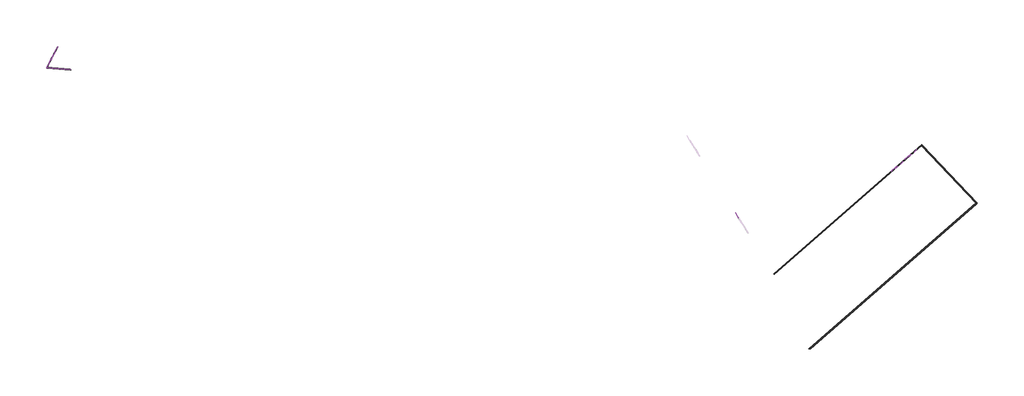
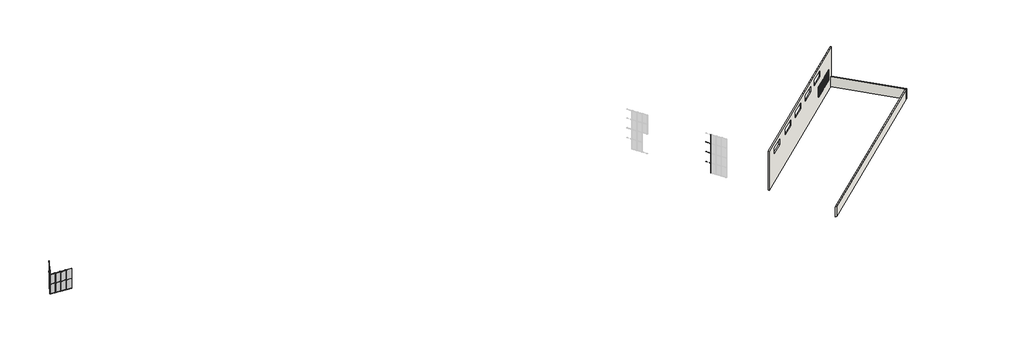
# One storey, part 6 of 36: 44 members, 16 plates, 3 walls, 2 doors.
"""IFC4 building model written with IfcOpenShell, lengths in millimetres."""

import ifcopenshell
import ifcopenshell.guid

model = None  # the IFC model being written
_history = None  # IfcOwnerHistory: only IFC2X3 demands one
_inside = {}  # id of a spatial element -> (the spatial element, [elements in it])
_under = {}  # id of a project, library or spatial element -> (it, [spatial elements below it])
_declared = {}  # id of a project -> (the project, [libraries it declares])
_typed = {}  # id of a type object -> (the type object, [elements of that type])
_made_of = {}  # id of a material, layer set ... -> (it, [elements and type objects made of it])


def new_model(schema):
    """Start an empty IFC model of exactly this schema.

    Asked for "IFC4X3", IfcOpenShell would pick the latest addendum, in which some entities
    have other attributes; the version numbers below select the first issue.
    IFC2X3 requires an IfcOwnerHistory on every rooted entity: one is made here for all.
    """
    global model, _history
    if schema == "IFC4X3":
        model = ifcopenshell.file(schema_version=(4, 3, 0, 0))
    else:
        model = ifcopenshell.file(schema=schema)
    _inside.clear()
    _under.clear()
    _declared.clear()
    _typed.clear()
    _made_of.clear()
    _history = None
    if model.schema == "IFC2X3":
        org = make("IfcOrganization", Name="unknown")
        user = make(
            "IfcPersonAndOrganization",
            ThePerson=make("IfcPerson", FamilyName="unknown"),
            TheOrganization=org,
        )
        app = make(
            "IfcApplication",
            ApplicationDeveloper=org,
            Version="unknown",
            ApplicationFullName="unknown",
            ApplicationIdentifier="unknown",
        )
        _history = make(
            "IfcOwnerHistory",
            OwningUser=user,
            OwningApplication=app,
            ChangeAction="ADDED",
            CreationDate=0,
        )
    return model


def make(cls, **values):
    """One entity of the class cls with the attributes given. An attribute that is None is left unset."""
    return model.create_entity(
        cls, **{name: value for name, value in values.items() if value is not None}
    )


def rooted(cls, **values):
    """An entity with a GlobalId (a new one), such as an element, a storey or a relation."""
    return make(cls, GlobalId=ifcopenshell.guid.new(), OwnerHistory=_history, **values)


def si_unit(unit_type, name, prefix=None):
    """IfcSIUnit, for example si_unit("LENGTHUNIT", "METRE", prefix="MILLI")."""
    return make("IfcSIUnit", UnitType=unit_type, Prefix=prefix, Name=name)


def assignment(units):
    """IfcUnitAssignment: the units of a project."""
    return None if units is None else make("IfcUnitAssignment", Units=units)


def point(xyz):
    """IfcCartesianPoint."""
    return None if xyz is None else make("IfcCartesianPoint", Coordinates=xyz)


def direction(xyz):
    """IfcDirection."""
    return None if xyz is None else make("IfcDirection", DirectionRatios=xyz)


def frame(location, z_axis=None, x_axis=None):
    """IfcAxis2Placement3D, a coordinate frame: its origin and axes. An axis left out is left unset."""
    return make(
        "IfcAxis2Placement3D",
        Location=point(location),
        Axis=direction(z_axis),
        RefDirection=direction(x_axis),
    )


def frame_2d(location, x_axis=None):
    """IfcAxis2Placement2D, a coordinate frame in the plane: its origin and x axis."""
    return make(
        "IfcAxis2Placement2D", Location=point(location), RefDirection=direction(x_axis)
    )


def origin():
    """The frame at (0, 0, 0) with its axes left unset."""
    return frame((0.0, 0.0, 0.0))


def origin_with_axes():
    """The frame at (0, 0, 0) with the z axis (0, 0, 1) and the x axis (1, 0, 0) written out."""
    return frame((0.0, 0.0, 0.0), z_axis=(0.0, 0.0, 1.0), x_axis=(1.0, 0.0, 0.0))


def place(relative_to, where):
    """IfcLocalPlacement: puts the frame where relative to a parent placement (None: the world)."""
    return make(
        "IfcLocalPlacement", PlacementRelTo=relative_to, RelativePlacement=where
    )


def context(
    kind, dimensions, precision=None, world=None, true_north=None, identifier=None
):
    """IfcGeometricRepresentationContext, for example the 3D "Model" context."""
    return make(
        "IfcGeometricRepresentationContext",
        ContextIdentifier=identifier,
        ContextType=kind,
        CoordinateSpaceDimension=dimensions,
        Precision=precision,
        WorldCoordinateSystem=world,
        TrueNorth=true_north,
    )


def project(units=None, contexts=None):
    """IfcProject with its units and contexts."""
    return rooted(
        "IfcProject",
        Name="project",
        RepresentationContexts=contexts,
        UnitsInContext=assignment(units),
    )


def spatial(cls, under=None, at=None, **own):
    """A site, building, storey or space (cls), placed at a placement, below another one or the project."""
    s = rooted(cls, ObjectPlacement=at, **own)
    if under is not None:
        _under.setdefault(under.id(), (under, []))[1].append(s)
    return s


def polyline(points):
    """IfcPolyline through the points."""
    return make("IfcPolyline", Points=[point(p) for p in points])


def circle_curve(where, radius):
    """IfcCircle in the frame where."""
    return make("IfcCircle", Position=where, Radius=radius)


def ellipse_curve(where, semi_axis1, semi_axis2):
    """IfcEllipse in the frame where."""
    return make(
        "IfcEllipse", Position=where, SemiAxis1=semi_axis1, SemiAxis2=semi_axis2
    )


def trimmed(basis, trim1, trim2, sense, master):
    """IfcTrimmedCurve: the piece of a basis curve between two trims."""
    return make(
        "IfcTrimmedCurve",
        BasisCurve=basis,
        Trim1=trim1,
        Trim2=trim2,
        SenseAgreement=sense,
        MasterRepresentation=master,
    )


def segment(curve, same_sense, transition):
    """IfcCompositeCurveSegment."""
    return make(
        "IfcCompositeCurveSegment",
        Transition=transition,
        SameSense=same_sense,
        ParentCurve=curve,
    )


def composite_curve(segments, self_intersect=None):
    """IfcCompositeCurve: segments joined end to end."""
    return make("IfcCompositeCurve", Segments=segments, SelfIntersect=self_intersect)


def outline(outer, holes=None, kind="AREA"):
    """IfcArbitraryClosedProfileDef: a profile drawn as a closed curve; with holes, ...WithVoids."""
    if holes is None:
        return make("IfcArbitraryClosedProfileDef", ProfileType=kind, OuterCurve=outer)
    return make(
        "IfcArbitraryProfileDefWithVoids",
        ProfileType=kind,
        OuterCurve=outer,
        InnerCurves=holes,
    )


def extrude(swept, where, along, depth):
    """IfcExtrudedAreaSolid: the profile swept, set in the frame where, extruded along a direction by depth."""
    return make(
        "IfcExtrudedAreaSolid",
        SweptArea=swept,
        Position=where,
        ExtrudedDirection=direction(along),
        Depth=depth,
    )


def faces_of(points, faces, orient=None, outer=None):
    """IfcFace entities. A face is a list of loops; a loop is a list of indices into points, from 0.

    orient and outer hold one flag for each loop. By default every Orientation is true, the
    first loop of a face is its IfcFaceOuterBound and the others are IfcFaceBound.
    """
    made = []
    for i, loops in enumerate(faces):
        bounds = []
        for j, loop in enumerate(loops):
            is_outer = j == 0 if outer is None else outer[i][j]
            bounds.append(
                make(
                    "IfcFaceOuterBound" if is_outer else "IfcFaceBound",
                    Bound=make("IfcPolyLoop", Polygon=[points[k] for k in loop]),
                    Orientation=True if orient is None else orient[i][j],
                )
            )
        made.append(make("IfcFace", Bounds=bounds))
    return made


def faceted_brep(points, faces, orient=None, outer=None, voids=None):
    """IfcFacetedBrep: a solid bounded by flat faces; with voids (closed shells), ...WithVoids."""
    shared = [point(p) for p in points]
    hull = make("IfcClosedShell", CfsFaces=faces_of(shared, faces, orient, outer))
    if voids is None:
        return make("IfcFacetedBrep", Outer=hull)
    return make(
        "IfcFacetedBrepWithVoids",
        Outer=hull,
        Voids=[
            make(cls, CfsFaces=faces_of(shared, fs, o, b)) for cls, fs, o, b in voids
        ],
    )


def shape(context_of_items, identifier, shape_type, items):
    """IfcShapeRepresentation: the items that make up one representation, for example the "Body"."""
    return make(
        "IfcShapeRepresentation",
        ContextOfItems=context_of_items,
        RepresentationIdentifier=identifier,
        RepresentationType=shape_type,
        Items=items,
    )


def source(mapping_origin, context_of_items, identifier, shape_type, items):
    """IfcRepresentationMap: a shape defined once, which mapped items show again and again."""
    return make(
        "IfcRepresentationMap",
        MappingOrigin=mapping_origin,
        MappedRepresentation=shape(context_of_items, identifier, shape_type, items),
    )


def transform(
    local_origin,
    x_axis=None,
    y_axis=None,
    z_axis=None,
    scale=None,
    scale2=None,
    scale3=None,
    uniform=True,
):
    """IfcCartesianTransformationOperator3D, or its non-uniform kind. x_axis, y_axis, z_axis: its Axis1, 2, 3."""
    if uniform:
        return make(
            "IfcCartesianTransformationOperator3D",
            Axis1=direction(x_axis),
            Axis2=direction(y_axis),
            LocalOrigin=point(local_origin),
            Scale=scale,
            Axis3=direction(z_axis),
        )
    return make(
        "IfcCartesianTransformationOperator3DnonUniform",
        Axis1=direction(x_axis),
        Axis2=direction(y_axis),
        LocalOrigin=point(local_origin),
        Scale=scale,
        Axis3=direction(z_axis),
        Scale2=scale2,
        Scale3=scale3,
    )


def mapped(mapping_source, mapping_target):
    """IfcMappedItem: shows the shape of a source again, moved by a transform."""
    return make(
        "IfcMappedItem", MappingSource=mapping_source, MappingTarget=mapping_target
    )


def made_of(thing, what):
    """Note that an element or type object is made of a material, layer set ...; save() writes the relation."""
    if what is not None:
        _made_of.setdefault(what.id(), (what, []))[1].append(thing)
    return thing


def element(
    cls,
    number,
    at=None,
    inside=None,
    cuts=None,
    type_object=None,
    material=None,
    context=None,
    identifier="Body",
    shape_type=None,
    held_by="IfcProductDefinitionShape",
    body=None,
    shapes=None,
    **own,
):
    """One element of the class cls, such as IfcWall. Its Tag is "e" and its number.

    at: its placement. inside: the storey or other place that contains it. cuts: it is an
    opening in that element (IfcRelVoidsElement). A single representation is given by context,
    identifier, shape_type and body (its items); several are given by shapes. held_by: the class
    of the entity that holds the representations. save() writes the other relations.
    """
    e = rooted(cls, Tag="e%d" % number, ObjectPlacement=at, **own)
    if body is not None:
        shapes = [shape(context, identifier, shape_type, body)]
    if shapes is not None:
        e.Representation = make(held_by, Representations=shapes)
    if inside is not None:
        _inside.setdefault(inside.id(), (inside, []))[1].append(e)
    if cuts is not None:
        rooted(
            "IfcRelVoidsElement", RelatingBuildingElement=cuts, RelatedOpeningElement=e
        )
    if type_object is not None:
        _typed.setdefault(type_object.id(), (type_object, []))[1].append(e)
    return made_of(e, material)


def aggregate(whole, parts):
    """IfcRelAggregates: a whole, such as a stair, and the parts it consists of."""
    return rooted("IfcRelAggregates", RelatingObject=whole, RelatedObjects=parts)


def save(model, path):
    """Write the relations noted so far, then the file.

    IfcRelAggregates (storeys below a building ...), IfcRelContainedInSpatialStructure (elements
    in a storey), IfcRelDefinesByType, IfcRelAssociatesMaterial and IfcRelDeclares: one each for
    every whole, place, type object, material and project.
    """
    for whole, parts in _under.values():
        aggregate(whole, parts)
    for where, things in _inside.values():
        rooted(
            "IfcRelContainedInSpatialStructure",
            RelatedElements=things,
            RelatingStructure=where,
        )
    for kind, things in _typed.values():
        rooted("IfcRelDefinesByType", RelatedObjects=things, RelatingType=kind)
    for what, things in _made_of.values():
        rooted("IfcRelAssociatesMaterial", RelatedObjects=things, RelatingMaterial=what)
    for by, libraries in _declared.values():
        rooted("IfcRelDeclares", RelatingContext=by, RelatedDefinitions=libraries)
    model.write(path)


def plane_surface(at):
    """IfcPlane: the flat surface through the origin of the frame at, square to its z axis."""
    return make("IfcPlane", Position=at)


def cylinder_surface(at, radius):
    """IfcCylindricalSurface: all points at the distance radius from the z axis of the frame at."""
    return make("IfcCylindricalSurface", Position=at, Radius=radius)


def revolved_surface(curve, axis_point, axis_direction):
    """IfcSurfaceOfRevolution: the curve turned about the line through axis_point along axis_direction."""
    return make(
        "IfcSurfaceOfRevolution",
        SweptCurve=make("IfcArbitraryOpenProfileDef", ProfileType="CURVE", Curve=curve),
        AxisPosition=make("IfcAxis1Placement", Location=point(axis_point), Axis=direction(axis_direction)),
    )


def advanced_brep(points, edges, surfaces, faces):
    """IfcAdvancedBrep: a solid bounded by faces that lie on surfaces and meet in shared edges.

    An edge is (start, end): straight between two places in points (the first is 0);
    or (start, end, curve); or (start, end, curve, False) where it runs against its curve.
    A face is (place in surfaces, loops), or (place, loops, False) where it looks against
    its surface's normal. A loop lists edges by number (the first is 1), with a minus sign
    where the edge is run from its end to its start. The first loop is the outer one.
    """
    corners = [point(p) for p in points]
    vertices = [make("IfcVertexPoint", VertexGeometry=c) for c in corners]
    made = []
    for start, end, *more in edges:
        made.append(
            make(
                "IfcEdgeCurve",
                EdgeStart=vertices[start],
                EdgeEnd=vertices[end],
                EdgeGeometry=more[0] if more else make("IfcPolyline", Points=[corners[start], corners[end]]),
                SameSense=more[1] if len(more) > 1 else True,
            )
        )
    hull = []
    for where, loops, *sense in faces:
        bounds = []
        for j, loop in enumerate(loops):
            ring = [make("IfcOrientedEdge", EdgeElement=made[abs(k) - 1], Orientation=k > 0) for k in loop]
            bounds.append(
                make(
                    "IfcFaceOuterBound" if j == 0 else "IfcFaceBound",
                    Bound=make("IfcEdgeLoop", EdgeList=ring),
                    Orientation=True,
                )
            )
        hull.append(make("IfcAdvancedFace", Bounds=bounds, FaceSurface=surfaces[where], SameSense=sense[0] if sense else True))
    return make("IfcAdvancedBrep", Outer=make("IfcClosedShell", CfsFaces=hull))


def bifold_door_11357_bifold_door_11357_4d55604b(model_context):
    return source(origin(), model_context, "Body", "SolidModel", [
        extrude(outline(polyline([(100.0, 2.0), (474.25, 2.0), (474.25, -12.0), (100.0, -12.0), (100.0, 2.0)])), frame((0.0, 0.0, 804.5), z_axis=(0.0, 0.0, 1.0), x_axis=(1.0, 0.0, 0.0)), (0.0, 0.0, 1.0), 150.0),
        extrude(outline(polyline([(474.25, -42.0), (100.0, -42.0), (100.0, -28.0), (474.25, -28.0), (474.25, -42.0)])), frame((0.0, 0.0, 804.5), z_axis=(0.0, 0.0, 1.0), x_axis=(1.0, 0.0, 0.0)), (0.0, 0.0, 1.0), 150.0),
        extrude(outline(polyline([(474.25, -28.0), (100.0, -28.0), (100.0, -12.0), (474.25, -12.0), (474.25, -28.0)])), frame((0.0, 0.0, 204.5), z_axis=(0.0, 0.0, 1.0), x_axis=(1.0, 0.0, 0.0)), (0.0, 0.0, 1.0), 1754.0),
        extrude(outline(polyline([(100.0, -42.0), (100.0, 2.0), (474.25, 2.0), (474.25, -42.0), (100.0, -42.0)])), frame((0.0, 0.0, 54.5), z_axis=(0.0, 0.0, 1.0), x_axis=(1.0, 0.0, 0.0)), (0.0, 0.0, 1.0), 150.0),
        extrude(outline(polyline([(54.5, 0.0), (54.5, 100.0), (1958.5, 100.0), (1958.5, 474.25), (54.5, 474.25), (54.5, 574.25), (2058.5, 574.25), (2058.5, 0.0), (54.5, 0.0)])), frame((0.0, -42.0, 0.0), z_axis=(0.0, 1.0, 0.0), x_axis=(0.0, 0.0, 1.0)), (0.0, 0.0, 1.0), 44.0),
        extrude(outline(polyline([(-474.25, 2.0), (-100.0, 2.0), (-100.0, -12.0), (-474.25, -12.0), (-474.25, 2.0)])), frame((0.0, 0.0, 804.5), z_axis=(0.0, 0.0, 1.0), x_axis=(1.0, 0.0, 0.0)), (0.0, 0.0, 1.0), 150.0),
        extrude(outline(polyline([(-100.0, -42.0), (-474.25, -42.0), (-474.25, -28.0), (-100.0, -28.0), (-100.0, -42.0)])), frame((0.0, 0.0, 804.5), z_axis=(0.0, 0.0, 1.0), x_axis=(1.0, 0.0, 0.0)), (0.0, 0.0, 1.0), 150.0),
        extrude(outline(polyline([(-100.0, -28.0), (-474.25, -28.0), (-474.25, -12.0), (-100.0, -12.0), (-100.0, -28.0)])), frame((0.0, 0.0, 204.5), z_axis=(0.0, 0.0, 1.0), x_axis=(1.0, 0.0, 0.0)), (0.0, 0.0, 1.0), 1754.0),
        extrude(outline(polyline([(-474.25, -42.0), (-474.25, 2.0), (-100.0, 2.0), (-100.0, -42.0), (-474.25, -42.0)])), frame((0.0, 0.0, 54.5), z_axis=(0.0, 0.0, 1.0), x_axis=(1.0, 0.0, 0.0)), (0.0, 0.0, 1.0), 150.0),
        extrude(outline(polyline([(54.5, -574.25), (54.5, -474.25), (1958.5, -474.25), (1958.5, -100.0), (54.5, -100.0), (54.5, 0.0), (2058.5, 0.0), (2058.5, -574.25), (54.5, -574.25)])), frame((0.0, -42.0, 0.0), z_axis=(0.0, 1.0, 0.0), x_axis=(0.0, 0.0, 1.0)), (0.0, 0.0, 1.0), 44.0),
        extrude(outline(polyline([(674.25, 2.0), (1048.5, 2.0), (1048.5, -12.0), (674.25, -12.0), (674.25, 2.0)])), frame((0.0, 0.0, 804.5), z_axis=(0.0, 0.0, 1.0), x_axis=(1.0, 0.0, 0.0)), (0.0, 0.0, 1.0), 150.0),
        extrude(outline(polyline([(1048.5, -42.0), (674.25, -42.0), (674.25, -28.0), (1048.5, -28.0), (1048.5, -42.0)])), frame((0.0, 0.0, 804.5), z_axis=(0.0, 0.0, 1.0), x_axis=(1.0, 0.0, 0.0)), (0.0, 0.0, 1.0), 150.0),
        extrude(outline(polyline([(1048.5, -28.0), (674.25, -28.0), (674.25, -12.0), (1048.5, -12.0), (1048.5, -28.0)])), frame((0.0, 0.0, 204.5), z_axis=(0.0, 0.0, 1.0), x_axis=(1.0, 0.0, 0.0)), (0.0, 0.0, 1.0), 1754.0),
        extrude(outline(polyline([(674.25, -42.0), (674.25, 2.0), (1048.5, 2.0), (1048.5, -42.0), (674.25, -42.0)])), frame((0.0, 0.0, 54.5), z_axis=(0.0, 0.0, 1.0), x_axis=(1.0, 0.0, 0.0)), (0.0, 0.0, 1.0), 150.0),
        extrude(outline(polyline([(54.5, 574.25), (54.5, 674.25), (1958.5, 674.25), (1958.5, 1048.5), (54.5, 1048.5), (54.5, 1148.5), (2058.5, 1148.5), (2058.5, 574.25), (54.5, 574.25)])), frame((0.0, -42.0, 0.0), z_axis=(0.0, 1.0, 0.0), x_axis=(0.0, 0.0, 1.0)), (0.0, 0.0, 1.0), 44.0),
        extrude(outline(polyline([(-1048.5, 2.0), (-674.25, 2.0), (-674.25, -12.0), (-1048.5, -12.0), (-1048.5, 2.0)])), frame((0.0, 0.0, 804.5), z_axis=(0.0, 0.0, 1.0), x_axis=(1.0, 0.0, 0.0)), (0.0, 0.0, 1.0), 150.0),
        extrude(outline(polyline([(-674.25, -42.0), (-1048.5, -42.0), (-1048.5, -28.0), (-674.25, -28.0), (-674.25, -42.0)])), frame((0.0, 0.0, 804.5), z_axis=(0.0, 0.0, 1.0), x_axis=(1.0, 0.0, 0.0)), (0.0, 0.0, 1.0), 150.0),
        extrude(outline(polyline([(-674.25, -28.0), (-1048.5, -28.0), (-1048.5, -12.0), (-674.25, -12.0), (-674.25, -28.0)])), frame((0.0, 0.0, 204.5), z_axis=(0.0, 0.0, 1.0), x_axis=(1.0, 0.0, 0.0)), (0.0, 0.0, 1.0), 1754.0),
        extrude(outline(polyline([(-1048.5, -42.0), (-1048.5, 2.0), (-674.25, 2.0), (-674.25, -42.0), (-1048.5, -42.0)])), frame((0.0, 0.0, 54.5), z_axis=(0.0, 0.0, 1.0), x_axis=(1.0, 0.0, 0.0)), (0.0, 0.0, 1.0), 150.0),
        extrude(outline(polyline([(54.5, -1148.5), (54.5, -1048.5), (1958.5, -1048.5), (1958.5, -674.25), (54.5, -674.25), (54.5, -574.25), (2058.5, -574.25), (2058.5, -1148.5), (54.5, -1148.5)])), frame((0.0, -42.0, 0.0), z_axis=(0.0, 1.0, 0.0), x_axis=(0.0, 0.0, 1.0)), (0.0, 0.0, 1.0), 44.0),
        advanced_brep(
        [(1108.5, 12.0, 913.5197851), (1088.5, 12.0, 913.5197851), (1108.5, 35.0, 913.5197851), (1088.5, 35.0, 913.5197851), (1083.5, 40.0, 913.5197851), (1083.5, 60.0, 913.5197851), (1003.3501694, 60.0, 913.5197851), (1003.3501694, 40.0, 913.5197851)],
        [
            (0, 1, circle_curve(frame((1098.5, 12.0, 913.5197851), z_axis=(0.0, -1.0, 0.0), x_axis=(-1.0, 0.0, 0.0)), 10.0)),
            (1, 0, circle_curve(frame((1098.5, 12.0, 913.5197851), z_axis=(0.0, -1.0, 0.0), x_axis=(-1.0, 0.0, 0.0)), 10.0)),
            (0, 2),
            (2, 3, circle_curve(frame((1098.5, 35.0, 913.5197851), z_axis=(0.0, -1.0, 0.0), x_axis=(-1.0, 0.0, 0.0)), 10.0)),
            (3, 1),
            (3, 2, circle_curve(frame((1098.5, 35.0, 913.5197851), z_axis=(0.0, -1.0, 0.0), x_axis=(-1.0, 0.0, 0.0)), 10.0)),
            (4, 3, circle_curve(frame((1083.5, 35.0, 913.5197851), z_axis=(0.0, 0.0, -1.0), x_axis=(1.0, 0.0, 0.0)), 5.0)),
            (2, 5, circle_curve(frame((1083.5, 35.0, 913.5197851), z_axis=(0.0, 0.0, 1.0), x_axis=(1.0, 0.0, 0.0)), 25.0)),
            (5, 4, circle_curve(frame((1083.5, 50.0, 913.5197851), z_axis=(1.0, 0.0, 0.0), x_axis=(0.0, -1.0, 0.0)), 10.0)),
            (4, 5, circle_curve(frame((1083.5, 50.0, 913.5197851), z_axis=(1.0, 0.0, 0.0), x_axis=(0.0, -1.0, 0.0)), 10.0)),
            (6, 7, circle_curve(frame((1003.3501694, 50.0, 913.5197851), z_axis=(-1.0, 0.0, 0.0), x_axis=(0.0, -1.0, 0.0)), 10.0)),
            (7, 6, circle_curve(frame((1003.3501694, 50.0, 913.5197851), z_axis=(-1.0, 0.0, 0.0), x_axis=(0.0, -1.0, 0.0)), 10.0)),
            (5, 6),
            (7, 4),
        ],
        [
            plane_surface(frame((1098.5, 12.0, 0.0), z_axis=(0.0, -1.0, 0.0), x_axis=(0.0, 0.0, 1.0))),
            cylinder_surface(frame((1098.5, 12.0, 913.5197851), z_axis=(0.0, -1.0, 0.0), x_axis=(-1.0, 0.0, 0.0)), 10.0),
            revolved_surface(trimmed(ellipse_curve(frame((1098.5, 35.0, 913.5197851), z_axis=(0.0, -1.0, 0.0), x_axis=(-1.0, 0.0, 0.0)), 10.0, 10.0), [point((1108.5, 35.0, 913.5197851))], [point((1088.5, 35.0, 913.5197851))], True, "CARTESIAN"), (1083.5, 35.0, 0.0), (0.0, 0.0, 1.0)),
            revolved_surface(trimmed(ellipse_curve(frame((1098.5, 35.0, 913.5197851), z_axis=(0.0, -1.0, 0.0), x_axis=(-1.0, 0.0, 0.0)), 10.0, 10.0), [point((1088.5, 35.0, 913.5197851))], [point((1108.5, 35.0, 913.5197851))], True, "CARTESIAN"), (1083.5, 35.0, 0.0), (0.0, 0.0, 1.0)),
            plane_surface(frame((1003.3501694, 50.0, 0.0), z_axis=(-1.0, 0.0, 0.0), x_axis=(0.0, 0.0, 1.0))),
            cylinder_surface(frame((1083.5, 50.0, 913.5197851), z_axis=(1.0, 0.0, 0.0), x_axis=(0.0, -1.0, 0.0)), 10.0),
        ],
        [
            (0, [[1, 2]]),
            (1, [[-1, 3, 4, 5]]),
            (1, [[-2, -5, 6, -3]]),
            (2, [[7, -4, 8, 9]]),
            (3, [[-8, -6, -7, 10]]),
            (4, [[11, 12]]),
            (5, [[-9, 13, -12, 14]]),
            (5, [[-10, -14, -11, -13]]),
        ],
    ),
        extrude(outline(composite_curve([segment(polyline([(809.5, 1119.5), (947.5395702, 1119.5)]), True, "CONTINUOUS"), segment(trimmed(circle_curve(frame_2d((932.9481035, 1098.5)), 25.5716817), [point((947.5395702, 1119.5))], [point((947.5395702, 1077.5))], False, "CARTESIAN"), True, "CONTINUOUS"), segment(polyline([(947.5395702, 1077.5), (809.5, 1077.5)]), True, "CONTINUOUS"), segment(trimmed(circle_curve(frame_2d((824.0914668, 1098.5)), 25.5716817), [point((809.5, 1077.5))], [point((809.5, 1119.5))], False, "CARTESIAN"), True, "CONTINUOUS")], self_intersect=False), holes=[composite_curve([segment(polyline([(834.5197851, 1095.5), (844.5197851, 1095.5)]), True, "CONTINUOUS"), segment(trimmed(circle_curve(frame_2d((848.5197851, 1098.5)), 5.0), [point((844.5197851, 1095.5))], [point((844.5197851, 1101.5))], True, "CARTESIAN"), True, "CONTINUOUS"), segment(polyline([(844.5197851, 1101.5), (834.5197851, 1101.5)]), True, "CONTINUOUS"), segment(trimmed(circle_curve(frame_2d((834.7134009, 1098.5)), 3.0062414), [point((834.5197851, 1101.5))], [point((834.5197851, 1095.5))], True, "CARTESIAN"), True, "CONTINUOUS")], self_intersect=False)]), frame((0.0, 2.0, 0.0), z_axis=(0.0, 1.0, 0.0), x_axis=(0.0, 0.0, 1.0)), (0.0, 0.0, 1.0), 10.0),
        faceted_brep([(1250.0, 87.0, 0.0), (1250.0, 87.0, 41.609375), (1250.0, 62.0, 45.4007353), (1250.0, 62.0, 0.0), (-1250.0, 87.0, 41.609375), (-1250.0, 87.0, 0.0), (-1250.0, 62.0, 0.0), (-1250.0, 62.0, 45.4007353), (-1200.0, -87.0, 54.5), (-1200.0, -87.0, 0.0), (1200.0, -87.0, 0.0), (1200.0, -87.0, 54.5), (1200.0, 62.0, 0.0), (-1200.0, 62.0, 0.0), (-1200.0, 62.0, 45.4007353), (-1200.0, 2.0, 54.5), (1200.0, 2.0, 54.5), (1200.0, 62.0, 45.4007353)], [[[0, 1, 2, 3]], [[4, 5, 6, 7]], [[8, 9, 10, 11]], [[5, 0, 3, 12, 10, 9, 13, 6]], [[1, 0, 5, 4]], [[1, 4, 7, 14, 15, 16, 17, 2]], [[15, 8, 11, 16]], [[13, 14, 7, 6]], [[14, 13, 9, 8, 15]], [[12, 17, 16, 11, 10]], [[17, 12, 3, 2]]]),
        faceted_brep([(1200.0, -87.0, 54.5), (1129.5, -87.0, 54.5), (1129.5, -45.0, 54.5), (1151.5, -45.0, 54.5), (1151.5, 2.0, 54.5), (1200.0, 2.0, 54.5), (1200.0, -87.0, 2110.0), (-1200.0, -87.0, 2110.0), (-1200.0, -87.0, 54.5), (-1129.5, -87.0, 54.5), (-1129.5, -87.0, 2039.5), (1129.5, -87.0, 2039.5), (1129.5, -45.0, 2039.5), (-1129.5, -45.0, 2039.5), (-1129.5, -45.0, 54.5), (-1151.5, -45.0, 54.5), (-1151.5, -45.0, 2061.5), (1151.5, -45.0, 2061.5), (1151.5, 2.0, 2061.5), (-1151.5, 2.0, 2061.5), (-1151.5, 2.0, 54.5), (-1200.0, 2.0, 54.5), (-1200.0, 2.0, 2110.0), (1200.0, 2.0, 2110.0)], [[[0, 1, 2, 3, 4, 5]], [[1, 0, 6, 7, 8, 9, 10, 11]], [[2, 1, 11, 12]], [[3, 2, 12, 13, 14, 15, 16, 17]], [[4, 3, 17, 18]], [[5, 4, 18, 19, 20, 21, 22, 23]], [[0, 5, 23, 6]], [[7, 22, 21, 8]], [[8, 21, 20, 15, 14, 9]], [[13, 10, 9, 14]], [[19, 16, 15, 20]], [[12, 11, 10, 13]], [[18, 17, 16, 19]], [[6, 23, 22, 7]]]),
    ])


def rectangular_mullion_30mm_square_1a264fd7(model_context):
    return source(origin(), model_context, "Body", "SweptSolid", [
        extrude(outline(polyline([(15.0, 15.0), (15.0, -15.0), (-15.0, -15.0), (-15.0, 15.0), (15.0, 15.0)])), frame((0.0, 0.0, -2000.0), z_axis=(0.0, 0.0, 1.0), x_axis=(1.0, 0.0, 0.0)), (0.0, 0.0, 1.0), 2000.0),
    ])


def rectangular_mullion_30mm_square_25f3bd10(model_context):
    return source(origin(), model_context, "Body", "SweptSolid", [
        extrude(outline(polyline([(0.0, 15.0), (0.0, -15.0), (-30.0, -15.0), (-30.0, 15.0), (0.0, 15.0)])), frame((0.0, 0.0, -2000.0), z_axis=(0.0, 0.0, 1.0), x_axis=(1.0, 0.0, 0.0)), (0.0, 0.0, 1.0), 2000.0),
    ])


def rectangular_mullion_30mm_square_91e58ac2(model_context):
    return source(origin(), model_context, "Body", "SweptSolid", [
        extrude(outline(polyline([(15.0, 15.0), (15.0, -15.0), (-15.0, -15.0), (-15.0, 15.0), (15.0, 15.0)])), frame((0.0, 0.0, -1830.508389), z_axis=(0.0, 0.0, 1.0), x_axis=(1.0, 0.0, 0.0)), (0.0, 0.0, 1.0), 1830.508389),
    ])


def rectangular_mullion_30mm_square_30df469e(model_context):
    return source(origin(), model_context, "Body", "SweptSolid", [
        extrude(outline(polyline([(0.0, 15.0), (0.0, -15.0), (-30.0, -15.0), (-30.0, 15.0), (0.0, 15.0)])), frame((0.0, 0.0, -953.235469), z_axis=(0.0, 0.0, 1.0), x_axis=(1.0, 0.0, 0.0)), (0.0, 0.0, 1.0), 953.235469),
    ])


def rectangular_mullion_30mm_square_7abb9771(model_context):
    return source(origin(), model_context, "Body", "SweptSolid", [
        extrude(outline(polyline([(15.0, 15.0), (15.0, -15.0), (-15.0, -15.0), (-15.0, 15.0), (15.0, 15.0)])), frame((0.0, 0.0, -953.235469), z_axis=(0.0, 0.0, 1.0), x_axis=(1.0, 0.0, 0.0)), (0.0, 0.0, 1.0), 953.235469),
    ])


def rectangular_mullion_30mm_square_aed851f2(model_context):
    return source(origin(), model_context, "Body", "SweptSolid", [
        extrude(outline(polyline([(15.0, 15.0), (15.0, -15.0), (-15.0, -15.0), (-15.0, 15.0), (15.0, 15.0)])), frame((0.0, 0.0, -969.0188131), z_axis=(0.0, 0.0, 1.0), x_axis=(1.0, 0.0, 0.0)), (0.0, 0.0, 1.0), 969.0188131),
    ])


def rectangular_mullion_30mm_square_2630f89c(model_context):
    return source(origin(), model_context, "Body", "SweptSolid", [
        extrude(outline(polyline([(0.0, 15.0), (0.0, -15.0), (-30.0, -15.0), (-30.0, 15.0), (0.0, 15.0)])), frame((0.0, 0.0, -946.4407667), z_axis=(0.0, 0.0, 1.0), x_axis=(1.0, 0.0, 0.0)), (0.0, 0.0, 1.0), 946.4407667),
    ])


def rectangular_mullion_30mm_square_1933750e(model_context):
    return source(origin(), model_context, "Body", "SweptSolid", [
        extrude(outline(polyline([(0.0, 15.0), (0.0, -15.0), (-30.0, -15.0), (-30.0, 15.0), (0.0, 15.0)])), frame((0.0, 0.0, -961.4407667), z_axis=(0.0, 0.0, 1.0), x_axis=(1.0, 0.0, 0.0)), (0.0, 0.0, 1.0), 961.4407667),
    ])


def rectangular_mullion_30mm_square_71c4692f(model_context):
    return source(origin(), model_context, "Body", "SweptSolid", [
        extrude(outline(polyline([(15.0, 15.0), (15.0, -15.0), (-15.0, -15.0), (-15.0, 15.0), (15.0, 15.0)])), frame((0.0, 0.0, -946.4407667), z_axis=(0.0, 0.0, 1.0), x_axis=(1.0, 0.0, 0.0)), (0.0, 0.0, 1.0), 946.4407667),
    ])


def rectangular_mullion_30mm_square_e7e67e74(model_context):
    return source(origin(), model_context, "Body", "SweptSolid", [
        extrude(outline(polyline([(15.0, 15.0), (15.0, -15.0), (-15.0, -15.0), (-15.0, 15.0), (15.0, 15.0)])), frame((0.0, 0.0, -961.4407667), z_axis=(0.0, 0.0, 1.0), x_axis=(1.0, 0.0, 0.0)), (0.0, 0.0, 1.0), 961.4407667),
    ])


def rectangular_mullion_30mm_square_b86bc8b0(model_context):
    return source(origin(), model_context, "Body", "SweptSolid", [
        extrude(outline(polyline([(0.0, 15.0), (0.0, -15.0), (-30.0, -15.0), (-30.0, 15.0), (0.0, 15.0)])), frame((0.0, 0.0, -968.3455398), z_axis=(0.0, 0.0, 1.0), x_axis=(1.0, 0.0, 0.0)), (0.0, 0.0, 1.0), 968.3455398),
    ])


def rectangular_mullion_30mm_square_ef8dd7fb(model_context):
    return source(origin(), model_context, "Body", "SweptSolid", [
        extrude(outline(polyline([(15.0, 15.0), (15.0, -15.0), (-15.0, -15.0), (-15.0, 15.0), (15.0, 15.0)])), frame((0.0, 0.0, -968.3455398), z_axis=(0.0, 0.0, 1.0), x_axis=(1.0, 0.0, 0.0)), (0.0, 0.0, 1.0), 968.3455398),
    ])


def system_panel_glazed_b46ffa29(model_context):
    return source(origin(), model_context, "Body", "SweptSolid", [
        extrude(outline(polyline([(495.7203834, 24.5), (-495.7203834, 24.5), (-495.7203834, 49.5), (495.7203834, 49.5), (495.7203834, 24.5)])), origin_with_axes(), (0.0, 0.0, 1.0), 2000.0),
    ])


def system_panel_glazed_724dc06d(model_context):
    return source(origin(), model_context, "Body", "SweptSolid", [
        extrude(outline(polyline([(499.1727699, 24.5), (-499.1727699, 24.5), (-499.1727699, 49.5), (499.1727699, 49.5), (499.1727699, 24.5)])), origin_with_axes(), (0.0, 0.0, 1.0), 2000.0),
    ])


model = new_model("IFC4")

# Units and contexts
model_context = context("Model", 3, world=origin())
ifc_project = project(units=[si_unit("LENGTHUNIT", "METRE", prefix="MILLI")], contexts=[model_context])

# Site, building, storey
site = spatial("IfcSite", under=ifc_project)
building = spatial("IfcBuilding", under=site)
storey = spatial("IfcBuildingStorey", under=building, Elevation=8680.0)

# Doors
placement = place(None, origin())
bifold_door_11357_bifold_door_11357_shape = bifold_door_11357_bifold_door_11357_4d55604b(model_context)
element("IfcDoor", 1, ObjectType="Bifold_door_11357 : Bifold_door_11357", at=placement, inside=storey, context=model_context, shape_type="MappedRepresentation", body=[
    mapped(bifold_door_11357_bifold_door_11357_shape, transform((-179464.8291716, -3430.0418953, 10680.0), x_axis=(0.7520008851157679, 0.6591620959863376, 0.0), y_axis=(-0.6591620959863376, 0.7520008851157679, 0.0), z_axis=(0.0, 0.0, 1.0))),
])
element("IfcDoor", 2, ObjectType="Bifold_door_11357 : Bifold_door_11357", at=placement, inside=storey, context=model_context, shape_type="MappedRepresentation", body=[
    mapped(bifold_door_11357_bifold_door_11357_shape, transform((-181720.8318269, -5407.5281833, 10680.0), x_axis=(0.7520008851157679, 0.6591620959863376, 0.0), y_axis=(-0.6591620959863376, 0.7520008851157679, 0.0), z_axis=(0.0, 0.0, 1.0))),
])

# Members
rectangular_mullion_30mm_square_shape = rectangular_mullion_30mm_square_1a264fd7(model_context)
element("IfcMember", 3, ObjectType="Rectangular Mullion : 30mm Square", at=placement, inside=storey, context=model_context, shape_type="MappedRepresentation", body=[
    mapped(rectangular_mullion_30mm_square_shape, transform((-207841.4419151, -13872.4451507, 8680.0), x_axis=(0.5325147689769961, -0.846420711479449, 0.0), y_axis=(-0.846420711479449, -0.5325147689769961, 0.0), z_axis=(0.0, 0.0, -1.0))),
])
element("IfcMember", 4, ObjectType="Rectangular Mullion : 30mm Square", at=placement, inside=storey, context=model_context, shape_type="MappedRepresentation", body=[
    mapped(rectangular_mullion_30mm_square_shape, transform((-320277.9439676, 13438.204232, 8680.0), x_axis=(-0.4546295979631432, -0.8906805985626222, 0.0), y_axis=(-0.8906805985626222, 0.4546295979631432, 0.0), z_axis=(0.0, 0.0, -1.0))),
])
element("IfcMember", 5, ObjectType="Rectangular Mullion : 30mm Square", at=placement, inside=storey, context=model_context, shape_type="MappedRepresentation", body=[
    mapped(rectangular_mullion_30mm_square_shape, transform((-320728.6822847, 12555.1471765, 8680.0), x_axis=(-0.4546295979631432, -0.8906805985626222, 0.0), y_axis=(-0.8906805985626222, 0.4546295979631432, 0.0), z_axis=(0.0, 0.0, -1.0))),
])
element("IfcMember", 6, ObjectType="Rectangular Mullion : 30mm Square", at=placement, inside=storey, context=model_context, shape_type="MappedRepresentation", body=[
    mapped(rectangular_mullion_30mm_square_shape, transform((-321179.4206019, 11672.0901209, 8680.0), x_axis=(-0.4546295979631432, -0.8906805985626222, 0.0), y_axis=(-0.8906805985626222, 0.4546295979631432, 0.0), z_axis=(0.0, 0.0, -1.0))),
])
element("IfcMember", 7, ObjectType="Rectangular Mullion : 30mm Square", at=placement, inside=storey, context=model_context, shape_type="MappedRepresentation", body=[
    mapped(rectangular_mullion_30mm_square_shape, transform((-320635.1478902, 10707.5047319, 8680.0), x_axis=(0.996659963165448, -0.08166344239038593, 0.0), y_axis=(-0.08166344239038593, -0.996659963165448, 0.0), z_axis=(0.0, 0.0, -1.0))),
])
element("IfcMember", 8, ObjectType="Rectangular Mullion : 30mm Square", at=placement, inside=storey, context=model_context, shape_type="MappedRepresentation", body=[
    mapped(rectangular_mullion_30mm_square_shape, transform((-319640.1368613, 10625.9763985, 8680.0), x_axis=(0.996659963165448, -0.08166344239038593, 0.0), y_axis=(-0.08166344239038593, -0.996659963165448, 0.0), z_axis=(0.0, 0.0, -1.0))),
])
element("IfcMember", 9, ObjectType="Rectangular Mullion : 30mm Square", at=placement, inside=storey, context=model_context, shape_type="MappedRepresentation", body=[
    mapped(rectangular_mullion_30mm_square_shape, transform((-318645.1258324, 10544.448065, 8680.0), x_axis=(0.996659963165448, -0.08166344239038593, 0.0), y_axis=(-0.08166344239038593, -0.996659963165448, 0.0), z_axis=(0.0, 0.0, -1.0))),
])
element("IfcMember", 10, ObjectType="Rectangular Mullion : 30mm Square", at=placement, inside=storey, context=model_context, shape_type="MappedRepresentation", body=[
    mapped(rectangular_mullion_30mm_square_shape, transform((-320277.9439676, 13438.204232, 10680.0), x_axis=(-0.4546295979631432, -0.8906805985626222, 0.0), y_axis=(-0.8906805985626222, 0.4546295979631432, 0.0), z_axis=(0.0, 0.0, -1.0))),
])
element("IfcMember", 11, ObjectType="Rectangular Mullion : 30mm Square", at=placement, inside=storey, context=model_context, shape_type="MappedRepresentation", body=[
    mapped(rectangular_mullion_30mm_square_shape, transform((-320728.6822847, 12555.1471765, 10680.0), x_axis=(-0.4546295979631432, -0.8906805985626222, 0.0), y_axis=(-0.8906805985626222, 0.4546295979631432, 0.0), z_axis=(0.0, 0.0, -1.0))),
])
element("IfcMember", 12, ObjectType="Rectangular Mullion : 30mm Square", at=placement, inside=storey, context=model_context, shape_type="MappedRepresentation", body=[
    mapped(rectangular_mullion_30mm_square_shape, transform((-321179.4206019, 11672.0901209, 10680.0), x_axis=(-0.4546295979631432, -0.8906805985626222, 0.0), y_axis=(-0.8906805985626222, 0.4546295979631432, 0.0), z_axis=(0.0, 0.0, -1.0))),
])
element("IfcMember", 13, ObjectType="Rectangular Mullion : 30mm Square", at=placement, inside=storey, context=model_context, shape_type="MappedRepresentation", body=[
    mapped(rectangular_mullion_30mm_square_shape, transform((-320635.1478902, 10707.5047319, 10680.0), x_axis=(0.996659963165448, -0.08166344239038593, 0.0), y_axis=(-0.08166344239038593, -0.996659963165448, 0.0), z_axis=(0.0, 0.0, -1.0))),
])
element("IfcMember", 14, ObjectType="Rectangular Mullion : 30mm Square", at=placement, inside=storey, context=model_context, shape_type="MappedRepresentation", body=[
    mapped(rectangular_mullion_30mm_square_shape, transform((-319640.1368613, 10625.9763985, 10680.0), x_axis=(0.996659963165448, -0.08166344239038593, 0.0), y_axis=(-0.08166344239038593, -0.996659963165448, 0.0), z_axis=(0.0, 0.0, -1.0))),
])
element("IfcMember", 15, ObjectType="Rectangular Mullion : 30mm Square", at=placement, inside=storey, context=model_context, shape_type="MappedRepresentation", body=[
    mapped(rectangular_mullion_30mm_square_shape, transform((-318645.1258324, 10544.448065, 10680.0), x_axis=(0.996659963165448, -0.08166344239038593, 0.0), y_axis=(-0.08166344239038593, -0.996659963165448, 0.0), z_axis=(0.0, 0.0, -1.0))),
])
rectangular_mullion_30mm_square_2_shape = rectangular_mullion_30mm_square_25f3bd10(model_context)
element("IfcMember", 16, ObjectType="Rectangular Mullion : 30mm Square", at=placement, inside=storey, context=model_context, shape_type="MappedRepresentation", body=[
    mapped(rectangular_mullion_30mm_square_2_shape, transform((-321630.1589191, 10789.0330654, 8680.0), x_axis=(-0.4546295979631432, -0.8906805985626222, 0.0), y_axis=(-0.8906805985626222, 0.4546295979631432, 0.0), z_axis=(0.0, 0.0, -1.0))),
])
element("IfcMember", 17, ObjectType="Rectangular Mullion : 30mm Square", at=placement, inside=storey, context=model_context, shape_type="MappedRepresentation", body=[
    mapped(rectangular_mullion_30mm_square_2_shape, transform((-321630.1589191, 10789.0330654, 12680.0), x_axis=(-0.996659963165448, 0.08166344239038593, 0.0), y_axis=(-0.08166344239038593, -0.996659963165448, 0.0), z_axis=(0.0, 0.0, 1.0))),
])
element("IfcMember", 18, ObjectType="Rectangular Mullion : 30mm Square", at=placement, inside=storey, context=model_context, shape_type="MappedRepresentation", body=[
    mapped(rectangular_mullion_30mm_square_2_shape, transform((-321630.1589191, 10789.0330654, 10680.0), x_axis=(-0.4546295979631432, -0.8906805985626222, 0.0), y_axis=(-0.8906805985626222, 0.4546295979631432, 0.0), z_axis=(0.0, 0.0, -1.0))),
])
element("IfcMember", 19, ObjectType="Rectangular Mullion : 30mm Square", at=placement, inside=storey, context=model_context, shape_type="MappedRepresentation", body=[
    mapped(rectangular_mullion_30mm_square_2_shape, transform((-321630.1589191, 10789.0330654, 10680.0), x_axis=(-0.996659963165448, 0.08166344239038593, 0.0), y_axis=(-0.08166344239038593, -0.996659963165448, 0.0), z_axis=(0.0, 0.0, 1.0))),
])
rectangular_mullion_30mm_square_3_shape = rectangular_mullion_30mm_square_91e58ac2(model_context)
element("IfcMember", 20, ObjectType="Rectangular Mullion : 30mm Square", at=placement, inside=storey, context=model_context, shape_type="MappedRepresentation", body=[
    mapped(rectangular_mullion_30mm_square_3_shape, transform((-207841.4419151, -13872.4451507, 14680.0), x_axis=(0.5325147689769961, -0.846420711479449, 0.0), y_axis=(-0.846420711479449, -0.5325147689769961, 0.0), z_axis=(0.0, 0.0, -1.0))),
])
rectangular_mullion_30mm_square_4_shape = rectangular_mullion_30mm_square_30df469e(model_context)
element("IfcMember", 21, ObjectType="Rectangular Mullion : 30mm Square", at=placement, inside=storey, context=model_context, shape_type="MappedRepresentation", body=[
    mapped(rectangular_mullion_30mm_square_4_shape, transform((-320650.0977897, 10708.7296836, 12680.0), x_axis=(0.0, 0.0, 1.0), y_axis=(-0.0816634423903873, -0.996659963165448, 0.0), z_axis=(0.996659963165448, -0.0816634423903873, 0.0))),
])
element("IfcMember", 22, ObjectType="Rectangular Mullion : 30mm Square", at=placement, inside=storey, context=model_context, shape_type="MappedRepresentation", body=[
    mapped(rectangular_mullion_30mm_square_4_shape, transform((-321600.2591202, 10786.5831621, 8680.0), x_axis=(0.0, 0.0, -1.0), y_axis=(-0.0816634423903873, -0.996659963165448, 0.0), z_axis=(-0.996659963165448, 0.0816634423903873, 0.0))),
])
rectangular_mullion_30mm_square_5_shape = rectangular_mullion_30mm_square_7abb9771(model_context)
element("IfcMember", 23, ObjectType="Rectangular Mullion : 30mm Square", at=placement, inside=storey, context=model_context, shape_type="MappedRepresentation", body=[
    mapped(rectangular_mullion_30mm_square_5_shape, transform((-320650.0977897, 10708.7296836, 10680.0), x_axis=(0.0, 0.0, 1.0), y_axis=(-0.0816634423903873, -0.996659963165448, 0.0), z_axis=(0.996659963165448, -0.0816634423903873, 0.0))),
])
element("IfcMember", 24, ObjectType="Rectangular Mullion : 30mm Square", at=placement, inside=storey, context=model_context, shape_type="MappedRepresentation", body=[
    mapped(rectangular_mullion_30mm_square_shape, transform((-207841.4419151, -13872.4451507, 10680.0), x_axis=(0.5325147689769961, -0.846420711479449, 0.0), y_axis=(-0.846420711479449, -0.5325147689769961, 0.0), z_axis=(0.0, 0.0, -1.0))),
])
element("IfcMember", 25, ObjectType="Rectangular Mullion : 30mm Square", at=placement, inside=storey, context=model_context, shape_type="MappedRepresentation", body=[
    mapped(rectangular_mullion_30mm_square_shape, transform((-207841.4419151, -13872.4451507, 12680.0), x_axis=(0.5325147689769961, -0.846420711479449, 0.0), y_axis=(-0.846420711479449, -0.5325147689769961, 0.0), z_axis=(0.0, 0.0, -1.0))),
])
rectangular_mullion_30mm_square_6_shape = rectangular_mullion_30mm_square_aed851f2(model_context)
element("IfcMember", 26, ObjectType="Rectangular Mullion : 30mm Square", at=placement, inside=storey, context=model_context, shape_type="MappedRepresentation", body=[
    mapped(rectangular_mullion_30mm_square_6_shape, transform((-207849.4296367, -13859.74884, 10680.0), x_axis=(0.0, 0.0, 1.0), y_axis=(-0.8464207114794468, -0.5325147689769997, 0.0), z_axis=(0.5325147689769996, -0.8464207114794466, 0.0))),
])
element("IfcMember", 27, ObjectType="Rectangular Mullion : 30mm Square", at=placement, inside=storey, context=model_context, shape_type="MappedRepresentation", body=[
    mapped(rectangular_mullion_30mm_square_6_shape, transform((-207849.4296367, -13859.74884, 12680.0), x_axis=(0.0, 0.0, 1.0), y_axis=(-0.8464207114794473, -0.5325147689769987, 0.0), z_axis=(0.5325147689769987, -0.8464207114794473, 0.0))),
])
element("IfcMember", 28, ObjectType="Rectangular Mullion : 30mm Square", at=placement, inside=storey, context=model_context, shape_type="MappedRepresentation", body=[
    mapped(rectangular_mullion_30mm_square_6_shape, transform((-207849.4296367, -13859.74884, 14680.0), x_axis=(0.0, 0.0, 1.0), y_axis=(-0.8464207114794473, -0.5325147689769987, 0.0), z_axis=(0.5325147689769987, -0.8464207114794473, 0.0))),
])
rectangular_mullion_30mm_square_7_shape = rectangular_mullion_30mm_square_2630f89c(model_context)
element("IfcMember", 29, ObjectType="Rectangular Mullion : 30mm Square", at=placement, inside=storey, context=model_context, shape_type="MappedRepresentation", body=[
    mapped(rectangular_mullion_30mm_square_7_shape, transform((-321616.5200312, 10815.7534834, 12680.0), x_axis=(0.0, 0.0, 1.0), y_axis=(-0.8906805985626249, 0.4546295979631377, 0.0), z_axis=(-0.4546295979631377, -0.8906805985626249, 0.0))),
])
element("IfcMember", 30, ObjectType="Rectangular Mullion : 30mm Square", at=placement, inside=storey, context=model_context, shape_type="MappedRepresentation", body=[
    mapped(rectangular_mullion_30mm_square_7_shape, transform((-321186.2400459, 11658.729912, 8680.0), x_axis=(0.0, 0.0, -1.0), y_axis=(-0.8906805985626249, 0.4546295979631377, 0.0), z_axis=(0.4546295979631377, 0.8906805985626249, 0.0))),
])
rectangular_mullion_30mm_square_8_shape = rectangular_mullion_30mm_square_1933750e(model_context)
element("IfcMember", 31, ObjectType="Rectangular Mullion : 30mm Square", at=placement, inside=storey, context=model_context, shape_type="MappedRepresentation", body=[
    mapped(rectangular_mullion_30mm_square_8_shape, transform((-320271.1245236, 13451.564441, 12680.0), x_axis=(0.0, 0.0, 1.0), y_axis=(-0.8906805985626166, 0.4546295979631542, 0.0), z_axis=(-0.4546295979631542, -0.8906805985626166, 0.0))),
])
element("IfcMember", 32, ObjectType="Rectangular Mullion : 30mm Square", at=placement, inside=storey, context=model_context, shape_type="MappedRepresentation", body=[
    mapped(rectangular_mullion_30mm_square_8_shape, transform((-320721.8628408, 12568.5073854, 12680.0), x_axis=(0.0, 0.0, 1.0), y_axis=(-0.8906805985626249, 0.4546295979631377, 0.0), z_axis=(-0.4546295979631377, -0.8906805985626249, 0.0))),
])
element("IfcMember", 33, ObjectType="Rectangular Mullion : 30mm Square", at=placement, inside=storey, context=model_context, shape_type="MappedRepresentation", body=[
    mapped(rectangular_mullion_30mm_square_8_shape, transform((-321172.601158, 11685.4503299, 12680.0), x_axis=(0.0, 0.0, 1.0), y_axis=(-0.8906805985626147, 0.45462959796315777, 0.0), z_axis=(-0.4546295979631577, -0.8906805985626146, 0.0))),
])
element("IfcMember", 34, ObjectType="Rectangular Mullion : 30mm Square", at=placement, inside=storey, context=model_context, shape_type="MappedRepresentation", body=[
    mapped(rectangular_mullion_30mm_square_8_shape, transform((-320284.7634115, 13424.844023, 8680.0), x_axis=(0.0, 0.0, -1.0), y_axis=(-0.8906805985626286, 0.4546295979631306, 0.0), z_axis=(0.45462959796313057, 0.8906805985626285, 0.0))),
])
element("IfcMember", 35, ObjectType="Rectangular Mullion : 30mm Square", at=placement, inside=storey, context=model_context, shape_type="MappedRepresentation", body=[
    mapped(rectangular_mullion_30mm_square_8_shape, transform((-320735.5017287, 12541.7869675, 8680.0), x_axis=(0.0, 0.0, -1.0), y_axis=(-0.8906805985626128, 0.45462959796316127, 0.0), z_axis=(0.45462959796316127, 0.8906805985626128, 0.0))),
])
rectangular_mullion_30mm_square_9_shape = rectangular_mullion_30mm_square_71c4692f(model_context)
element("IfcMember", 36, ObjectType="Rectangular Mullion : 30mm Square", at=placement, inside=storey, context=model_context, shape_type="MappedRepresentation", body=[
    mapped(rectangular_mullion_30mm_square_9_shape, transform((-321616.5200312, 10815.7534834, 10680.0), x_axis=(0.0, 0.0, 1.0), y_axis=(-0.8906805985626249, 0.4546295979631377, 0.0), z_axis=(-0.4546295979631377, -0.8906805985626249, 0.0))),
])
rectangular_mullion_30mm_square_10_shape = rectangular_mullion_30mm_square_e7e67e74(model_context)
element("IfcMember", 37, ObjectType="Rectangular Mullion : 30mm Square", at=placement, inside=storey, context=model_context, shape_type="MappedRepresentation", body=[
    mapped(rectangular_mullion_30mm_square_10_shape, transform((-320271.1245236, 13451.564441, 10680.0), x_axis=(0.0, 0.0, 1.0), y_axis=(-0.8906805985626166, 0.4546295979631542, 0.0), z_axis=(-0.4546295979631542, -0.8906805985626166, 0.0))),
])
element("IfcMember", 38, ObjectType="Rectangular Mullion : 30mm Square", at=placement, inside=storey, context=model_context, shape_type="MappedRepresentation", body=[
    mapped(rectangular_mullion_30mm_square_10_shape, transform((-320721.8628408, 12568.5073854, 10680.0), x_axis=(0.0, 0.0, 1.0), y_axis=(-0.8906805985626249, 0.4546295979631377, 0.0), z_axis=(-0.4546295979631377, -0.8906805985626249, 0.0))),
])
element("IfcMember", 39, ObjectType="Rectangular Mullion : 30mm Square", at=placement, inside=storey, context=model_context, shape_type="MappedRepresentation", body=[
    mapped(rectangular_mullion_30mm_square_10_shape, transform((-321172.601158, 11685.4503299, 10680.0), x_axis=(0.0, 0.0, 1.0), y_axis=(-0.8906805985626147, 0.45462959796315777, 0.0), z_axis=(-0.4546295979631577, -0.8906805985626146, 0.0))),
])
rectangular_mullion_30mm_square_11_shape = rectangular_mullion_30mm_square_b86bc8b0(model_context)
element("IfcMember", 40, ObjectType="Rectangular Mullion : 30mm Square", at=placement, inside=storey, context=model_context, shape_type="MappedRepresentation", body=[
    mapped(rectangular_mullion_30mm_square_11_shape, transform((-319655.0867608, 10627.2013501, 12680.0), x_axis=(0.0, 0.0, 1.0), y_axis=(-0.08166344239038431, -0.9966599631654481, 0.0), z_axis=(0.996659963165448, -0.0816634423903843, 0.0))),
])
element("IfcMember", 41, ObjectType="Rectangular Mullion : 30mm Square", at=placement, inside=storey, context=model_context, shape_type="MappedRepresentation", body=[
    mapped(rectangular_mullion_30mm_square_11_shape, transform((-318660.0757319, 10545.6730166, 12680.0), x_axis=(0.0, 0.0, 1.0), y_axis=(-0.0816634423903873, -0.996659963165448, 0.0), z_axis=(0.996659963165448, -0.0816634423903873, 0.0))),
])
element("IfcMember", 42, ObjectType="Rectangular Mullion : 30mm Square", at=placement, inside=storey, context=model_context, shape_type="MappedRepresentation", body=[
    mapped(rectangular_mullion_30mm_square_11_shape, transform((-320620.1979908, 10706.2797803, 8680.0), x_axis=(0.0, 0.0, -1.0), y_axis=(-0.08166344239038431, -0.9966599631654481, 0.0), z_axis=(-0.996659963165448, 0.0816634423903843, 0.0))),
])
element("IfcMember", 43, ObjectType="Rectangular Mullion : 30mm Square", at=placement, inside=storey, context=model_context, shape_type="MappedRepresentation", body=[
    mapped(rectangular_mullion_30mm_square_11_shape, transform((-319625.1869619, 10624.7514468, 8680.0), x_axis=(0.0, 0.0, -1.0), y_axis=(-0.0816634423903873, -0.996659963165448, 0.0), z_axis=(-0.996659963165448, 0.0816634423903873, 0.0))),
])
element("IfcMember", 44, ObjectType="Rectangular Mullion : 30mm Square", at=placement, inside=storey, context=model_context, shape_type="MappedRepresentation", body=[
    mapped(rectangular_mullion_30mm_square_11_shape, transform((-318630.175933, 10543.2231133, 8680.0), x_axis=(0.0, 0.0, -1.0), y_axis=(-0.08166344239038513, -0.9966599631654481, 0.0), z_axis=(-0.9966599631654481, 0.08166344239038513, 0.0))),
])
rectangular_mullion_30mm_square_12_shape = rectangular_mullion_30mm_square_ef8dd7fb(model_context)
element("IfcMember", 45, ObjectType="Rectangular Mullion : 30mm Square", at=placement, inside=storey, context=model_context, shape_type="MappedRepresentation", body=[
    mapped(rectangular_mullion_30mm_square_12_shape, transform((-319655.0867608, 10627.2013501, 10680.0), x_axis=(0.0, 0.0, 1.0), y_axis=(-0.08166344239038431, -0.9966599631654481, 0.0), z_axis=(0.996659963165448, -0.0816634423903843, 0.0))),
])
element("IfcMember", 46, ObjectType="Rectangular Mullion : 30mm Square", at=placement, inside=storey, context=model_context, shape_type="MappedRepresentation", body=[
    mapped(rectangular_mullion_30mm_square_12_shape, transform((-318660.0757319, 10545.6730166, 10680.0), x_axis=(0.0, 0.0, 1.0), y_axis=(-0.0816634423903873, -0.996659963165448, 0.0), z_axis=(0.996659963165448, -0.0816634423903873, 0.0))),
])

# Plates
system_panel_glazed_shape = system_panel_glazed_b46ffa29(model_context)
element("IfcPlate", 47, ObjectType="System Panel : Glazed", at=placement, inside=storey, context=model_context, shape_type="MappedRepresentation", body=[
    mapped(system_panel_glazed_shape, transform((-320052.574809, 13879.7327598, 8680.0), x_axis=(-0.4546295979631432, -0.8906805985626222, 0.0), y_axis=(0.8906805985626222, -0.4546295979631432, 0.0), z_axis=(0.0, 0.0, 1.0))),
])
element("IfcPlate", 48, ObjectType="System Panel : Glazed", at=placement, inside=storey, context=model_context, shape_type="MappedRepresentation", body=[
    mapped(system_panel_glazed_shape, transform((-320503.3131262, 12996.6757042, 8680.0), x_axis=(-0.4546295979631432, -0.8906805985626222, 0.0), y_axis=(0.8906805985626222, -0.4546295979631432, 0.0), z_axis=(0.0, 0.0, 1.0))),
])
element("IfcPlate", 49, ObjectType="System Panel : Glazed", at=placement, inside=storey, context=model_context, shape_type="MappedRepresentation", body=[
    mapped(system_panel_glazed_shape, transform((-320954.0514433, 12113.6186487, 8680.0), x_axis=(-0.4546295979631432, -0.8906805985626222, 0.0), y_axis=(0.8906805985626222, -0.4546295979631432, 0.0), z_axis=(0.0, 0.0, 1.0))),
])
element("IfcPlate", 50, ObjectType="System Panel : Glazed", at=placement, inside=storey, context=model_context, shape_type="MappedRepresentation", body=[
    mapped(system_panel_glazed_shape, transform((-321404.7897605, 11230.5615932, 8680.0), x_axis=(-0.4546295979631432, -0.8906805985626222, 0.0), y_axis=(0.8906805985626222, -0.4546295979631432, 0.0), z_axis=(0.0, 0.0, 1.0))),
])
element("IfcPlate", 51, ObjectType="System Panel : Glazed", at=placement, inside=storey, context=model_context, shape_type="MappedRepresentation", body=[
    mapped(system_panel_glazed_shape, transform((-320052.574809, 13879.7327598, 10680.0), x_axis=(-0.4546295979631432, -0.8906805985626222, 0.0), y_axis=(0.8906805985626222, -0.4546295979631432, 0.0), z_axis=(0.0, 0.0, 1.0))),
])
element("IfcPlate", 52, ObjectType="System Panel : Glazed", at=placement, inside=storey, context=model_context, shape_type="MappedRepresentation", body=[
    mapped(system_panel_glazed_shape, transform((-320503.3131262, 12996.6757042, 10680.0), x_axis=(-0.4546295979631432, -0.8906805985626222, 0.0), y_axis=(0.8906805985626222, -0.4546295979631432, 0.0), z_axis=(0.0, 0.0, 1.0))),
])
element("IfcPlate", 53, ObjectType="System Panel : Glazed", at=placement, inside=storey, context=model_context, shape_type="MappedRepresentation", body=[
    mapped(system_panel_glazed_shape, transform((-320954.0514433, 12113.6186487, 10680.0), x_axis=(-0.4546295979631432, -0.8906805985626222, 0.0), y_axis=(0.8906805985626222, -0.4546295979631432, 0.0), z_axis=(0.0, 0.0, 1.0))),
])
element("IfcPlate", 54, ObjectType="System Panel : Glazed", at=placement, inside=storey, context=model_context, shape_type="MappedRepresentation", body=[
    mapped(system_panel_glazed_shape, transform((-321404.7897605, 11230.5615932, 10680.0), x_axis=(-0.4546295979631432, -0.8906805985626222, 0.0), y_axis=(0.8906805985626222, -0.4546295979631432, 0.0), z_axis=(0.0, 0.0, 1.0))),
])
system_panel_glazed_2_shape = system_panel_glazed_724dc06d(model_context)
element("IfcPlate", 55, ObjectType="System Panel : Glazed", at=placement, inside=storey, context=model_context, shape_type="MappedRepresentation", body=[
    mapped(system_panel_glazed_2_shape, transform((-321132.6534047, 10748.2688987, 8680.0), x_axis=(0.996659963165448, -0.08166344239038593, 0.0), y_axis=(0.08166344239038593, 0.996659963165448, 0.0), z_axis=(0.0, 0.0, 1.0))),
])
element("IfcPlate", 56, ObjectType="System Panel : Glazed", at=placement, inside=storey, context=model_context, shape_type="MappedRepresentation", body=[
    mapped(system_panel_glazed_2_shape, transform((-320137.6423758, 10666.7405652, 8680.0), x_axis=(0.996659963165448, -0.08166344239038593, 0.0), y_axis=(0.08166344239038593, 0.996659963165448, 0.0), z_axis=(0.0, 0.0, 1.0))),
])
element("IfcPlate", 57, ObjectType="System Panel : Glazed", at=placement, inside=storey, context=model_context, shape_type="MappedRepresentation", body=[
    mapped(system_panel_glazed_2_shape, transform((-319142.6313469, 10585.2122317, 8680.0), x_axis=(0.996659963165448, -0.08166344239038593, 0.0), y_axis=(0.08166344239038593, 0.996659963165448, 0.0), z_axis=(0.0, 0.0, 1.0))),
])
element("IfcPlate", 58, ObjectType="System Panel : Glazed", at=placement, inside=storey, context=model_context, shape_type="MappedRepresentation", body=[
    mapped(system_panel_glazed_2_shape, transform((-318147.620318, 10503.6838982, 8680.0), x_axis=(0.996659963165448, -0.08166344239038593, 0.0), y_axis=(0.08166344239038593, 0.996659963165448, 0.0), z_axis=(0.0, 0.0, 1.0))),
])
element("IfcPlate", 59, ObjectType="System Panel : Glazed", at=placement, inside=storey, context=model_context, shape_type="MappedRepresentation", body=[
    mapped(system_panel_glazed_2_shape, transform((-321132.6534047, 10748.2688987, 10680.0), x_axis=(0.996659963165448, -0.08166344239038593, 0.0), y_axis=(0.08166344239038593, 0.996659963165448, 0.0), z_axis=(0.0, 0.0, 1.0))),
])
element("IfcPlate", 60, ObjectType="System Panel : Glazed", at=placement, inside=storey, context=model_context, shape_type="MappedRepresentation", body=[
    mapped(system_panel_glazed_2_shape, transform((-320137.6423758, 10666.7405652, 10680.0), x_axis=(0.996659963165448, -0.08166344239038593, 0.0), y_axis=(0.08166344239038593, 0.996659963165448, 0.0), z_axis=(0.0, 0.0, 1.0))),
])
element("IfcPlate", 61, ObjectType="System Panel : Glazed", at=placement, inside=storey, context=model_context, shape_type="MappedRepresentation", body=[
    mapped(system_panel_glazed_2_shape, transform((-319142.6313469, 10585.2122317, 10680.0), x_axis=(0.996659963165448, -0.08166344239038593, 0.0), y_axis=(0.08166344239038593, 0.996659963165448, 0.0), z_axis=(0.0, 0.0, 1.0))),
])
element("IfcPlate", 62, ObjectType="System Panel : Glazed", at=placement, inside=storey, context=model_context, shape_type="MappedRepresentation", body=[
    mapped(system_panel_glazed_2_shape, transform((-318147.620318, 10503.6838982, 10680.0), x_axis=(0.996659963165448, -0.08166344239038593, 0.0), y_axis=(0.08166344239038593, 0.996659963165448, 0.0), z_axis=(0.0, 0.0, 1.0))),
])

# Walls
element("IfcWall", 63, ObjectType="Generic - 200mm", at=placement, inside=storey, context=model_context, shape_type="Brep", body=[
    faceted_brep([(-168514.0421103, -11466.8093614, 8680.0), (-177614.0646177, -1904.9272055, 8680.0), (-177614.0646177, -1904.9272055, 10680.0), (-168514.0421103, -11466.8093614, 10680.0), (-168664.5684814, -11598.7523953, 8680.0), (-168664.5684814, -11598.7523953, 10680.0), (-168802.5632985, -11453.7538331, 10680.0), (-177758.9416201, -2042.8063344, 10680.0), (-177758.9416201, -2042.8063344, 8680.0), (-168802.5632985, -11453.7538331, 8680.0)], [[[0, 1, 2, 3]], [[4, 5, 6, 7, 8, 9]], [[1, 0, 4, 9, 8]], [[2, 1, 8, 7]], [[3, 2, 7, 6, 5]], [[0, 3, 5, 4]]]),
])
element("IfcWall", 64, ObjectType="Generic - 200mm", at=placement, inside=storey, context=model_context, shape_type="Brep", body=[
    faceted_brep([(-195922.7427278, -35491.7498966, 8680.0), (-168664.5684814, -11598.7523953, 8680.0), (-168664.5684814, -11598.7523953, 10680.0), (-195922.7427278, -35491.7498966, 10680.0), (-196253.336775, -35515.5730934, 8680.0), (-196253.336775, -35515.5730934, 10680.0), (-196004.0850989, -35297.0929553, 10680.0), (-168802.5632985, -11453.7538331, 10680.0), (-168802.5632985, -11453.7538331, 8680.0), (-196004.0850989, -35297.0929553, 8680.0)], [[[0, 1, 2, 3]], [[4, 5, 6, 7, 8, 9]], [[1, 0, 4, 9, 8]], [[3, 2, 7, 6, 5]], [[0, 3, 5, 4]], [[2, 1, 8, 7]]]),
])
element("IfcWall", 65, ObjectType="Interior - Blockwork 100", at=placement, inside=storey, context=model_context, shape_type="SweptSolid", body=[
    extrude(outline(polyline([(-32353.0202592, 0.0), (0.0, 0.0), (0.0, -8000.0), (-32353.0202592, -8000.0), (-32353.0202592, 0.0)]), holes=[polyline([(-29715.0190072, -6917.6), (-26870.2190072, -6917.6), (-26870.2190072, -5800.0), (-29715.0190072, -5800.0), (-29715.0190072, -6917.6)]), polyline([(-23870.2190072, -6917.6), (-21025.4190072, -6917.6), (-21025.4190072, -5800.0), (-23870.2190072, -5800.0), (-23870.2190072, -6917.6)]), polyline([(-18625.4190072, -6917.6), (-15780.6190072, -6917.6), (-15780.6190072, -5800.0), (-18625.4190072, -5800.0), (-18625.4190072, -6917.6)]), polyline([(-13480.6190072, -6917.6), (-10635.8190072, -6917.6), (-10635.8190072, -5800.0), (-13480.6190072, -5800.0), (-13480.6190072, -6917.6)]), polyline([(-8735.8190072, -6917.6), (-5891.0190072, -6917.6), (-5891.0190072, -5800.0), (-8735.8190072, -5800.0), (-8735.8190072, -6917.6)]), polyline([(-1200.0000001, -2000.0), (-3600.0000001, -2000.0), (-3600.0000001, -4110.0), (-1200.0000001, -4110.0), (-1200.0000001, -2000.0)]), polyline([(-4200.0, -2000.0), (-6600.0000001, -2000.0), (-6600.0000001, -4110.0), (-4200.0, -4110.0), (-4200.0, -2000.0)])]), frame((-177619.1589973, -1894.6769198, 8680.0), z_axis=(-0.6591620959863376, 0.7520008851157679, 0.0), x_axis=(0.7520008851157679, 0.6591620959863376, 0.0)), (0.0, 0.0, 1.0), 124.0),
])

save(model, "model.ifc")
